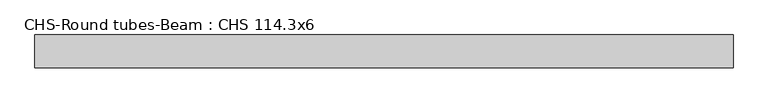
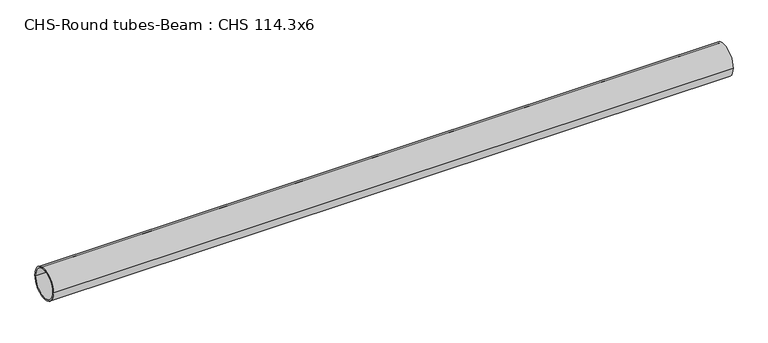
"""IFC4 building model written with IfcOpenShell, lengths in millimetres: beam geometry, CHS-Round tubes-Beam : CHS 114.3x6."""

from ifc_helpers import new_model, si_unit, point, frame, origin, origin_2d, place, context, project, spatial, circle_curve, trimmed, segment, composite_curve, outline, extrude, source, transform, mapped, element, save


def chs_round_tubes_beam_chs_114_3x6_91507984(model_context):
    return source(origin(), model_context, "Body", "SweptSolid", [
        extrude(outline(composite_curve([segment(trimmed(circle_curve(origin_2d(), 57.15), [point((57.15, 0.0))], [point((-57.15, 0.0))], False, "CARTESIAN"), True, "CONTINUOUS"), segment(trimmed(circle_curve(origin_2d(), 57.15), [point((-57.15, 0.0))], [point((57.15, 0.0))], False, "CARTESIAN"), True, "CONTINUOUS")], self_intersect=False), holes=[composite_curve([segment(trimmed(circle_curve(origin_2d(), 51.15), [point((51.15, 0.0))], [point((-51.15, 0.0))], True, "CARTESIAN"), True, "CONTINUOUS"), segment(trimmed(circle_curve(origin_2d(), 51.15), [point((-51.15, 0.0))], [point((51.15, 0.0))], True, "CARTESIAN"), True, "CONTINUOUS")], self_intersect=False)]), frame((-1170.3343006, 0.0, 0.0), z_axis=(1.0, 0.0, 0.0), x_axis=(0.0, 1.0, 0.0)), (0.0, 0.0, 1.0), 2430.5646116),
    ])


if __name__ == "__main__":
    model = new_model("IFC4")
    model_context = context("Model", 3, world=origin())
    ifc_project = project(units=[si_unit("LENGTHUNIT", "METRE", prefix="MILLI")], contexts=[model_context])
    site = spatial("IfcSite", under=ifc_project)
    building = spatial("IfcBuilding", under=site)
    placement = place(None, origin())
    chs_round_tubes_beam_chs_114_3x6_shape = chs_round_tubes_beam_chs_114_3x6_91507984(model_context)
    element("IfcBeam", 1, ObjectType="CHS-Round tubes-Beam : CHS 114.3x6", at=placement, inside=building, context=model_context, shape_type="MappedRepresentation", body=[
        mapped(chs_round_tubes_beam_chs_114_3x6_shape, transform((0.0, 0.0, 0.0), x_axis=(1.0, 0.0, 0.0), y_axis=(0.0, 1.0, 0.0), z_axis=(0.0, 0.0, 1.0))),
    ])
    save(model, "model.ifc")
